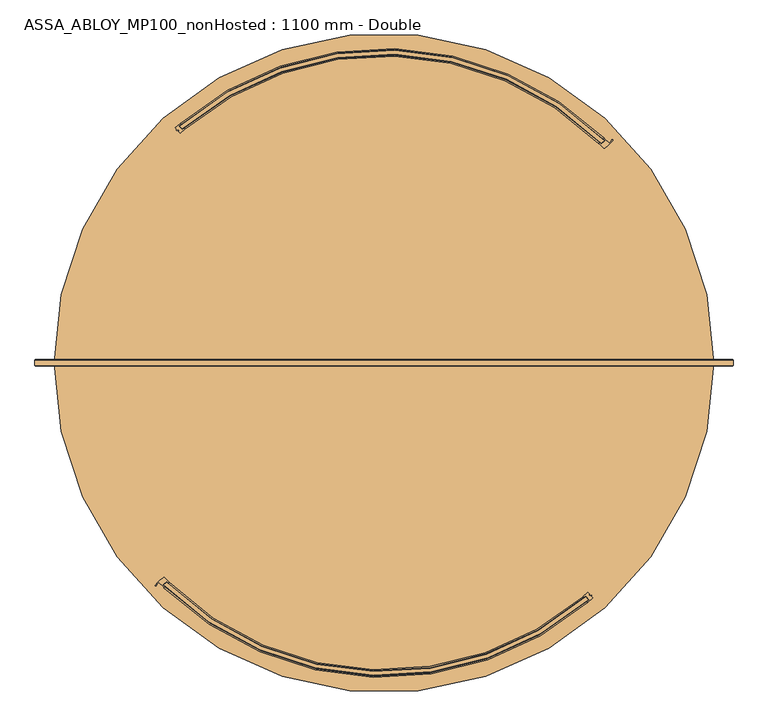
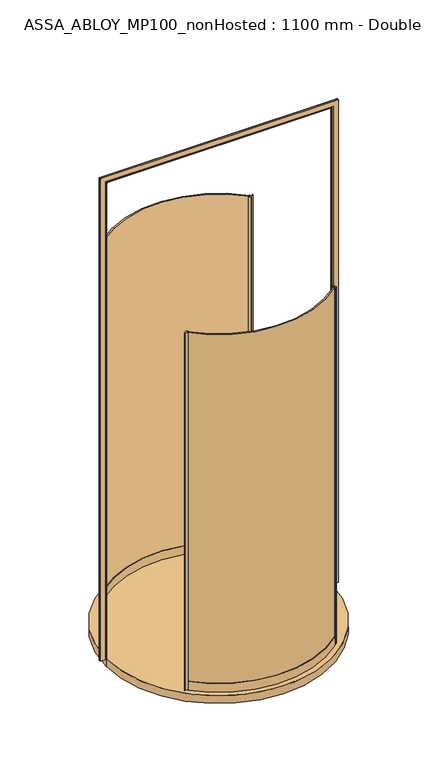
"""IFC4 building model written with IfcOpenShell, lengths in millimetres: door geometry, ASSA_ABLOY_MP100_nonHosted : 1100 mm - Double."""

from ifc_helpers import new_model, si_unit, point, frame, origin, origin_with_axes, origin_2d, place, context, project, spatial, polyline, circle_curve, ellipse_curve, trimmed, segment, composite_curve, outline, extrude, source, transform, mapped, element, save
from ifc_brep_helpers import plane_surface, cylinder_surface, revolved_surface, advanced_brep


def assa_abloy_mp100_nonhosted_1100_mm_double_c4c6f7eb(model_context):
    return source(origin(), model_context, "Body", "SolidModel", [
        extrude(outline(composite_curve([segment(trimmed(circle_curve(origin_2d(), 838.5), [point((-589.9937964, -595.8100119))], [point((547.3022385, -635.2499585))], True, "CARTESIAN"), True, "CONTINUOUS"), segment(polyline([(547.3022385, -635.2499585), (553.7856646, -642.8636619)]), True, "CONTINUOUS"), segment(trimmed(circle_curve(origin_2d(), 848.5), [point((553.7856646, -642.8636619))], [point((-596.9877233, -602.9576338))], False, "CARTESIAN"), True, "CONTINUOUS"), segment(polyline([(-596.9877233, -602.9576338), (-589.9937964, -595.8100119)]), True, "CONTINUOUS")], self_intersect=False)), origin_with_axes(), (0.0, 0.0, 1.0), 3000.0),
        extrude(outline(composite_curve([segment(polyline([(553.2153363, -623.4380817), (557.6356913, -628.629052), (555.7322968, -630.2498818), (558.0014585, -632.9146341), (562.4711305, -630.7907524), (563.189663, -631.6345491), (561.8437866, -633.5707587), (566.1846095, -638.6683317)]), True, "CONTINUOUS"), segment(trimmed(circle_curve(origin_2d(), 853.5), [point((566.1846095, -638.6683317))], [point((553.3513022, -649.8188874))], False, "CARTESIAN"), True, "CONTINUOUS"), segment(polyline([(553.3513022, -649.8188874), (551.4063064, -647.534814)]), True, "CONTINUOUS"), segment(trimmed(circle_curve(origin_2d(), 850.5), [point((551.4063064, -647.534814))], [point((556.7171345, -642.974558))], True, "CARTESIAN"), True, "CONTINUOUS"), segment(polyline([(556.7171345, -642.974558), (547.6401749, -632.3151816)]), True, "CONTINUOUS"), segment(trimmed(circle_curve(origin_2d(), 836.5), [point((547.6401749, -632.3151816))], [point((542.1769315, -637.005828))], False, "CARTESIAN"), True, "CONTINUOUS"), segment(polyline([(542.1769315, -637.005828), (540.3846636, -634.5917313)]), True, "CONTINUOUS"), segment(trimmed(circle_curve(origin_2d(), 833.5), [point((540.3846636, -634.5917313))], [point((553.2153363, -623.4380817))], True, "CARTESIAN"), True, "CONTINUOUS")], self_intersect=False)), origin_with_axes(), (0.0, 0.0, 1.0), 3000.0),
        advanced_brep(
        [(-589.9934713, -592.989238, 0.0), (-599.6948043, -603.085211, 0.0), (-594.6833962, -607.9727962, 0.0), (-596.7620171, -610.1359732, 0.0), (-610.6082601, -596.2698104, 0.0), (-617.7731984, -604.9617583, 0.0), (-620.3447483, -603.6458006, 0.0), (-598.4776156, -583.3597044, 0.0), (-594.7956112, -583.8583313, 0.0), (-582.9045441, -595.7147929, 0.0), (-584.9831651, -597.8779699, 0.0), (-589.9934713, -592.989238, 3000.0), (-584.9831651, -597.8779699, 3000.0), (-582.9045441, -595.7147929, 3000.0), (-594.7956112, -583.8583313, 3000.0), (-598.4776156, -583.3597044, 3000.0), (-620.3447483, -603.6458006, 3000.0), (-617.7870043, -604.9545448, 3000.0), (-610.6082601, -596.2698104, 3000.0), (-596.7620171, -610.1359732, 3000.0), (-594.6833962, -607.9727962, 3000.0), (-599.6948043, -603.085211, 3000.0)],
        [
            (0, 1),
            (1, 2, circle_curve(frame((-267.9934701, -267.9934701, 0.0), z_axis=(0.0, 0.0, 1.0), x_axis=(-0.7071067811865529, 0.707106781186542, 0.0)), 471.5)),
            (2, 3),
            (3, 4, circle_curve(frame((-267.9934701, -267.9934701, 0.0), z_axis=(0.0, 0.0, -1.0), x_axis=(-0.7071067811865529, 0.707106781186542, 0.0)), 474.5)),
            (4, 5, circle_curve(frame((-593.5900425, -617.597323, 0.0), z_axis=(0.0, 0.0, 1.0), x_axis=(-0.7071067811865529, 0.707106781186542, 0.0)), 27.285207)),
            (5, 6, circle_curve(frame((-619.060292, -604.289259, 0.0), z_axis=(0.0, 0.0, -1.0), x_axis=(-0.7071067811865529, 0.707106781186542, 0.0)), 1.4366164)),
            (6, 7, circle_curve(frame((-562.8967434, -643.6423847, 0.0), z_axis=(0.0, 0.0, -1.0), x_axis=(-0.7071067811865529, 0.707106781186542, 0.0)), 70.0)),
            (7, 8, circle_curve(frame((-596.9527211, -585.9432478, 0.0), z_axis=(0.0, 0.0, -1.0), x_axis=(-0.7071067811865529, 0.707106781186542, 0.0)), 3.0)),
            (8, 9, circle_curve(frame((-267.9934701, -267.9934701, 0.0), z_axis=(0.0, 0.0, 1.0), x_axis=(-0.7071067811865529, 0.707106781186542, 0.0)), 454.5)),
            (9, 10),
            (10, 0, circle_curve(frame((-267.9934701, -267.9934701, 0.0), z_axis=(0.0, 0.0, -1.0), x_axis=(-0.7071067811865529, 0.707106781186542, 0.0)), 457.5)),
            (11, 12, circle_curve(frame((-267.9934701, -267.9934701, 3000.0), z_axis=(0.0, 0.0, 1.0), x_axis=(-0.7071067811865529, 0.707106781186542, 0.0)), 457.5)),
            (12, 13),
            (13, 14, circle_curve(frame((-267.9934701, -267.9934701, 3000.0), z_axis=(0.0, 0.0, -1.0), x_axis=(-0.7071067811865529, 0.707106781186542, 0.0)), 454.5)),
            (14, 15, circle_curve(frame((-596.9527211, -585.9432478, 3000.0), z_axis=(0.0, 0.0, 1.0), x_axis=(-0.7071067811865529, 0.707106781186542, 0.0)), 3.0)),
            (15, 16, circle_curve(frame((-562.8967434, -643.6423847, 3000.0), z_axis=(0.0, 0.0, 1.0), x_axis=(-0.7071067811865529, 0.707106781186542, 0.0)), 70.0)),
            (16, 17, circle_curve(frame((-619.060292, -604.289259, 3000.0), z_axis=(0.0, 0.0, 1.0), x_axis=(-0.7071067811865529, 0.707106781186542, 0.0)), 1.4366164)),
            (17, 18, circle_curve(frame((-593.5900425, -617.597323, 3000.0), z_axis=(0.0, 0.0, -1.0), x_axis=(-0.7071067811865529, 0.707106781186542, 0.0)), 27.285207)),
            (18, 19, circle_curve(frame((-267.9934701, -267.9934701, 3000.0), z_axis=(0.0, 0.0, 1.0), x_axis=(-0.7071067811865529, 0.707106781186542, 0.0)), 474.5)),
            (19, 20),
            (20, 21, circle_curve(frame((-267.9934701, -267.9934701, 3000.0), z_axis=(0.0, 0.0, -1.0), x_axis=(-0.7071067811865529, 0.707106781186542, 0.0)), 471.5)),
            (21, 11),
            (0, 11),
            (21, 1),
            (20, 2),
            (19, 3),
            (18, 4),
            (8, 14),
            (13, 9),
            (12, 10),
            (17, 5),
            (16, 6),
            (15, 7),
        ],
        [
            plane_surface(frame((-589.3735021, -589.3735021, 0.0), z_axis=(0.0, 0.0, -1.0000000000000002), x_axis=(-0.7071067811865421, -0.707106781186553, 0.0))),
            plane_surface(frame((-589.3735021, -589.3735021, 3000.0), z_axis=(0.0, 0.0, 1.0000000000000002), x_axis=(-0.7071067811865421, -0.707106781186553, 0.0))),
            plane_surface(frame((-589.9934713, -592.989238, 0.0), z_axis=(0.7210590160944298, -0.6928736503208452, 0.0), x_axis=(0.0, 0.0, 1.0))),
            revolved_surface(polyline([(-601.3943174294598, 65.40737722945454, 3000.0), (-601.3943174294598, 65.40737722945454, 0.0)]), (-267.9934701, -267.9934701, 0.0), (0.0, 0.0, 1.0)),
            plane_surface(frame((-594.6833962, -607.9727962, 0.0), z_axis=(0.7210590160945622, -0.6928736503207074, 0.0), x_axis=(0.0, 0.0, 1.0))),
            cylinder_surface(frame((-267.9934701, -267.9934701, 0.0), z_axis=(0.0, 0.0, -1.0), x_axis=(-0.7071067811865529, 0.707106781186542, 0.0)), 474.5),
            revolved_surface(polyline([(-589.3735021492882, 53.386561949283305, 3000.0), (-589.3735021492882, 53.386561949283305, 0.0)]), (-267.9934701, -267.9934701, 0.0), (0.0, 0.0, 1.0)),
            plane_surface(frame((-582.9045441, -595.7147929, 0.0), z_axis=(0.721059016094641, -0.6928736503206255, 0.0), x_axis=(0.0, 0.0, 1.0))),
            cylinder_surface(frame((-267.9934701, -267.9934701, 0.0), z_axis=(0.0, 0.0, -1.0), x_axis=(-0.7071067811865529, 0.707106781186542, 0.0)), 457.5),
            revolved_surface(polyline([(-612.8835973957788, -598.3037681042215, 3000.0), (-612.8835973957788, -598.3037681042215, 0.0)]), (-593.5900425, -617.597323, 0.0), (0.0, 0.0, 1.0)),
            cylinder_surface(frame((-619.060292, -604.289259, 0.0), z_axis=(0.0, 0.0, -1.0), x_axis=(-0.7071067811865529, 0.707106781186542, 0.0)), 1.4366164),
            cylinder_surface(frame((-562.8967434, -643.6423847, 0.0), z_axis=(0.0, 0.0, -1.0), x_axis=(-0.7071067811865529, 0.707106781186542, 0.0)), 70.0),
            cylinder_surface(frame((-596.9527211, -585.9432478, 0.0), z_axis=(0.0, 0.0, -1.0), x_axis=(-0.7071067811865529, 0.707106781186542, 0.0)), 3.0),
        ],
        [
            (0, [[1, 2, 3, 4, 5, 6, 7, 8, 9, 10, 11]]),
            (1, [[12, 13, 14, 15, 16, 17, 18, 19, 20, 21, 22]]),
            (2, [[-1, 23, -22, 24]]),
            (3, [[-2, -24, -21, 25]]),
            (4, [[-3, -25, -20, 26]]),
            (5, [[-4, -26, -19, 27]]),
            (6, [[-9, 28, -14, 29]]),
            (7, [[-10, -29, -13, 30]]),
            (8, [[-11, -30, -12, -23]]),
            (9, [[-5, -27, -18, 31]]),
            (10, [[-6, -31, -17, 32]]),
            (11, [[-7, -32, -16, 33]]),
            (12, [[-8, -33, -15, -28]]),
        ],
    ),
        advanced_brep(
        [(-582.9335723, -595.743821, 73.0), (-582.9335723, -595.743821, 0.0), (-585.0317135, -597.8880699, 0.0), (-585.0317135, -597.8880699, 24.0), (-594.8230393, -607.8945648, 24.0), (-594.8230393, -607.8945648, 0.0), (-596.9211805, -610.0388137, 0.0), (-596.9211805, -610.0388137, 73.0), (-594.8230393, -607.8945648, 73.0), (-594.8230393, -607.8945648, 39.0), (-585.0317135, -597.8880699, 39.0), (-585.0317135, -597.8880699, 73.0), (540.3846636, -634.5917313, 73.0), (542.3296593, -636.8758047, 73.0), (542.3296593, -636.8758047, 39.0), (551.4063064, -647.534814, 39.0), (551.4063064, -647.534814, 73.0), (553.3513022, -649.8188874, 73.0), (553.3513022, -649.8188874, 0.0), (551.4063064, -647.534814, 0.0), (551.4063064, -647.534814, 24.0), (542.3296593, -636.8758047, 24.0), (542.3296593, -636.8758047, 0.0), (540.3846636, -634.5917313, 0.0)],
        [
            (0, 1),
            (1, 2),
            (2, 3),
            (3, 4),
            (4, 5),
            (5, 6),
            (6, 7),
            (7, 8),
            (8, 9),
            (9, 10),
            (10, 11),
            (11, 0),
            (12, 13),
            (13, 14),
            (14, 15),
            (15, 16),
            (16, 17),
            (17, 18),
            (18, 19),
            (19, 20),
            (20, 21),
            (21, 22),
            (22, 23),
            (23, 12),
            (23, 1, circle_curve(frame((0.0, 0.0, 0.0), z_axis=(0.0, 0.0, -1.0), x_axis=(-0.6993804106642413, -0.7147496353123362, 0.0)), 833.5)),
            (0, 12, circle_curve(frame((0.0, 0.0, 73.0), z_axis=(0.0, 0.0, 1.0), x_axis=(-0.6993804106642413, -0.7147496353123362, 0.0)), 833.5)),
            (22, 2, circle_curve(frame((0.0, 0.0, 0.0), z_axis=(0.0, 0.0, -1.0), x_axis=(-0.6993804106642413, -0.7147496353123362, 0.0)), 836.5)),
            (21, 3, circle_curve(frame((0.0, 0.0, 24.0), z_axis=(0.0, 0.0, -1.0), x_axis=(-0.6993804106642413, -0.7147496353123362, 0.0)), 836.5)),
            (20, 4, circle_curve(frame((0.0, 0.0, 24.0), z_axis=(0.0, 0.0, -1.0), x_axis=(-0.6993804106642413, -0.7147496353123362, 0.0)), 850.5)),
            (19, 5, circle_curve(frame((0.0, 0.0, 0.0), z_axis=(0.0, 0.0, -1.0), x_axis=(-0.6993804106642413, -0.7147496353123362, 0.0)), 850.5)),
            (18, 6, circle_curve(frame((0.0, 0.0, 0.0), z_axis=(0.0, 0.0, -1.0), x_axis=(-0.6993804106642413, -0.7147496353123362, 0.0)), 853.5)),
            (17, 7, circle_curve(frame((0.0, 0.0, 73.0), z_axis=(0.0, 0.0, -1.0), x_axis=(-0.6993804106642413, -0.7147496353123362, 0.0)), 853.5)),
            (16, 8, circle_curve(frame((0.0, 0.0, 73.0), z_axis=(0.0, 0.0, -1.0), x_axis=(-0.6993804106642413, -0.7147496353123362, 0.0)), 850.5)),
            (15, 9, circle_curve(frame((0.0, 0.0, 39.0), z_axis=(0.0, 0.0, -1.0), x_axis=(-0.6993804106642413, -0.7147496353123362, 0.0)), 850.5)),
            (14, 10, circle_curve(frame((0.0, 0.0, 39.0), z_axis=(0.0, 0.0, -1.0), x_axis=(-0.6993804106642413, -0.7147496353123362, 0.0)), 836.5)),
            (13, 11, circle_curve(frame((0.0, 0.0, 73.0), z_axis=(0.0, 0.0, -1.0), x_axis=(-0.6993804106642413, -0.7147496353123362, 0.0)), 836.5)),
        ],
        [
            plane_surface(frame((-582.9335723, -595.743821, 0.0), z_axis=(-0.714749635312336, 0.6993804106642412, 0.0), x_axis=(0.0, 0.0, 1.0))),
            plane_surface(frame((540.3846636, -634.5917313, 0.0), z_axis=(0.7613578059617316, 0.6483319298793931, 0.0), x_axis=(0.0, 0.0, 1.0))),
            revolved_surface(polyline([(-582.9335722886451, -595.7438210328322, 73.00000000000003), (-582.9335722886451, -595.7438210328322, 0.0)]), (0.0, 0.0, 0.0), (0.0, 0.0, 1.0000000000000002)),
            plane_surface(frame((0.0, 0.0, 0.0), z_axis=(0.0, 0.0, -1.0), x_axis=(-0.6993804106642412, -0.714749635312336, 0.0))),
            cylinder_surface(frame((0.0, 0.0, 0.0), z_axis=(0.0, 0.0, 1.0000000000000002), x_axis=(-0.6993804106642413, -0.7147496353123362, 0.0)), 836.5),
            plane_surface(frame((0.0, 0.0, 24.0), z_axis=(0.0, 0.0, -1.0), x_axis=(-0.6993804106642412, -0.714749635312336, 0.0))),
            revolved_surface(polyline([(-594.8230392699372, -607.8945648331419, 24.000000000000014), (-594.8230392699372, -607.8945648331419, 0.0)]), (0.0, 0.0, 0.0), (0.0, 0.0, 1.0000000000000002)),
            cylinder_surface(frame((0.0, 0.0, 0.0), z_axis=(0.0, 0.0, 1.0000000000000002), x_axis=(-0.6993804106642413, -0.7147496353123362, 0.0)), 853.5),
            plane_surface(frame((0.0, 0.0, 73.0), z_axis=(0.0, 0.0, 1.0), x_axis=(-0.6993804106642412, -0.714749635312336, 0.0))),
            revolved_surface(polyline([(-594.8230392699372, -607.8945648331419, 73.00000000000003), (-594.8230392699372, -607.8945648331419, 39.000000000000014)]), (0.0, 0.0, 0.0), (0.0, 0.0, 1.0000000000000002)),
            plane_surface(frame((0.0, 0.0, 39.0), z_axis=(0.0, 0.0, 1.0), x_axis=(-0.6993804106642412, -0.714749635312336, 0.0))),
        ],
        [
            (0, [[1, 2, 3, 4, 5, 6, 7, 8, 9, 10, 11, 12]]),
            (1, [[13, 14, 15, 16, 17, 18, 19, 20, 21, 22, 23, 24]]),
            (2, [[25, -1, 26, -24]]),
            (3, [[27, -2, -25, -23]]),
            (4, [[28, -3, -27, -22]]),
            (5, [[29, -4, -28, -21]]),
            (6, [[30, -5, -29, -20]]),
            (3, [[31, -6, -30, -19]]),
            (7, [[32, -7, -31, -18]]),
            (8, [[33, -8, -32, -17]]),
            (9, [[34, -9, -33, -16]]),
            (10, [[35, -10, -34, -15]]),
            (4, [[36, -11, -35, -14]]),
            (8, [[-26, -12, -36, -13]]),
        ],
    ),
        extrude(outline(composite_curve([segment(trimmed(circle_curve(origin_2d(), 838.5), [point((589.9937964, 595.8100119))], [point((-547.3022385, 635.2499584))], True, "CARTESIAN"), True, "CONTINUOUS"), segment(polyline([(-547.3022385, 635.2499584), (-553.7856646, 642.8636619)]), True, "CONTINUOUS"), segment(trimmed(circle_curve(origin_2d(), 848.5), [point((-553.7856646, 642.8636619))], [point((596.9877233, 602.9576338))], False, "CARTESIAN"), True, "CONTINUOUS"), segment(polyline([(596.9877233, 602.9576338), (589.9937964, 595.8100119)]), True, "CONTINUOUS")], self_intersect=False)), origin_with_axes(), (0.0, 0.0, 1.0), 3000.0),
        extrude(outline(composite_curve([segment(polyline([(-553.2153363, 623.4380817), (-557.6356913, 628.629052), (-555.7322968, 630.2498818), (-558.0014585, 632.9146341), (-562.4711305, 630.7907524), (-563.189663, 631.6345491), (-561.8437866, 633.5707587), (-566.1846095, 638.6683317)]), True, "CONTINUOUS"), segment(trimmed(circle_curve(origin_2d(), 853.5), [point((-566.1846095, 638.6683317))], [point((-553.3513022, 649.8188874))], False, "CARTESIAN"), True, "CONTINUOUS"), segment(polyline([(-553.3513022, 649.8188874), (-551.4063064, 647.534814)]), True, "CONTINUOUS"), segment(trimmed(circle_curve(origin_2d(), 850.5), [point((-551.4063064, 647.534814))], [point((-556.7171345, 642.974558))], True, "CARTESIAN"), True, "CONTINUOUS"), segment(polyline([(-556.7171345, 642.974558), (-547.6401749, 632.3151816)]), True, "CONTINUOUS"), segment(trimmed(circle_curve(origin_2d(), 836.5), [point((-547.6401749, 632.3151816))], [point((-542.1769315, 637.005828))], False, "CARTESIAN"), True, "CONTINUOUS"), segment(polyline([(-542.1769315, 637.005828), (-540.3846636, 634.5917313)]), True, "CONTINUOUS"), segment(trimmed(circle_curve(origin_2d(), 833.5), [point((-540.3846636, 634.5917313))], [point((-553.2153363, 623.4380817))], True, "CARTESIAN"), True, "CONTINUOUS")], self_intersect=False)), origin_with_axes(), (0.0, 0.0, 1.0), 3000.0),
        advanced_brep(
        [(589.9934713, 592.989238, 0.0), (599.6948043, 603.085211, 0.0), (594.6833962, 607.9727962, 0.0), (596.7620171, 610.1359732, 0.0), (610.6082601, 596.2698104, 0.0), (617.7731984, 604.9617583, 0.0), (620.3447483, 603.6458006, 0.0), (598.4776156, 583.3597044, 0.0), (594.7956112, 583.8583313, 0.0), (582.9045441, 595.7147929, 0.0), (584.9831651, 597.8779699, 0.0), (589.9934713, 592.989238, 3000.0), (584.9831651, 597.8779699, 3000.0), (582.9045441, 595.7147929, 3000.0), (594.7956112, 583.8583313, 3000.0), (598.4776156, 583.3597044, 3000.0), (620.3447483, 603.6458006, 3000.0), (617.7870043, 604.9545448, 3000.0), (610.6082601, 596.2698104, 3000.0), (596.7620171, 610.1359732, 3000.0), (594.6833962, 607.9727962, 3000.0), (599.6948043, 603.085211, 3000.0)],
        [
            (0, 1),
            (1, 2, circle_curve(frame((267.9934701, 267.9934701, 0.0), z_axis=(0.0, 0.0, 1.0), x_axis=(0.7071067811865528, -0.7071067811865412, 0.0)), 471.5)),
            (2, 3),
            (3, 4, circle_curve(frame((267.9934701, 267.9934701, 0.0), z_axis=(0.0, 0.0, -1.0), x_axis=(0.7071067811865528, -0.7071067811865412, 0.0)), 474.5)),
            (4, 5, circle_curve(frame((593.5900425, 617.597323, 0.0), z_axis=(0.0, 0.0, 1.0), x_axis=(0.7071067811865528, -0.7071067811865412, 0.0)), 27.285207)),
            (5, 6, circle_curve(frame((619.060292, 604.289259, 0.0), z_axis=(0.0, 0.0, -1.0), x_axis=(0.7071067811865528, -0.7071067811865412, 0.0)), 1.4366164)),
            (6, 7, circle_curve(frame((562.8967434, 643.6423847, 0.0), z_axis=(0.0, 0.0, -1.0), x_axis=(0.7071067811865528, -0.7071067811865412, 0.0)), 70.0)),
            (7, 8, circle_curve(frame((596.9527211, 585.9432478, 0.0), z_axis=(0.0, 0.0, -1.0), x_axis=(0.7071067811865528, -0.7071067811865412, 0.0)), 3.0)),
            (8, 9, circle_curve(frame((267.9934701, 267.9934701, 0.0), z_axis=(0.0, 0.0, 1.0), x_axis=(0.7071067811865528, -0.7071067811865412, 0.0)), 454.5)),
            (9, 10),
            (10, 0, circle_curve(frame((267.9934701, 267.9934701, 0.0), z_axis=(0.0, 0.0, -1.0), x_axis=(0.7071067811865528, -0.7071067811865412, 0.0)), 457.5)),
            (11, 12, circle_curve(frame((267.9934701, 267.9934701, 3000.0), z_axis=(0.0, 0.0, 1.0), x_axis=(0.7071067811865528, -0.7071067811865412, 0.0)), 457.5)),
            (12, 13),
            (13, 14, circle_curve(frame((267.9934701, 267.9934701, 3000.0), z_axis=(0.0, 0.0, -1.0), x_axis=(0.7071067811865528, -0.7071067811865412, 0.0)), 454.5)),
            (14, 15, circle_curve(frame((596.9527211, 585.9432478, 3000.0), z_axis=(0.0, 0.0, 1.0), x_axis=(0.7071067811865528, -0.7071067811865412, 0.0)), 3.0)),
            (15, 16, circle_curve(frame((562.8967434, 643.6423847, 3000.0), z_axis=(0.0, 0.0, 1.0), x_axis=(0.7071067811865528, -0.7071067811865412, 0.0)), 70.0)),
            (16, 17, circle_curve(frame((619.060292, 604.289259, 3000.0), z_axis=(0.0, 0.0, 1.0), x_axis=(0.7071067811865528, -0.7071067811865412, 0.0)), 1.4366164)),
            (17, 18, circle_curve(frame((593.5900425, 617.597323, 3000.0), z_axis=(0.0, 0.0, -1.0), x_axis=(0.7071067811865528, -0.7071067811865412, 0.0)), 27.285207)),
            (18, 19, circle_curve(frame((267.9934701, 267.9934701, 3000.0), z_axis=(0.0, 0.0, 1.0), x_axis=(0.7071067811865528, -0.7071067811865412, 0.0)), 474.5)),
            (19, 20),
            (20, 21, circle_curve(frame((267.9934701, 267.9934701, 3000.0), z_axis=(0.0, 0.0, -1.0), x_axis=(0.7071067811865528, -0.7071067811865412, 0.0)), 471.5)),
            (21, 11),
            (0, 11),
            (21, 1),
            (20, 2),
            (19, 3),
            (18, 4),
            (8, 14),
            (13, 9),
            (12, 10),
            (17, 5),
            (16, 6),
            (15, 7),
        ],
        [
            plane_surface(frame((589.3735021, 589.3735021, 0.0), z_axis=(0.0, 0.0, -1.0), x_axis=(0.7071067811865418, 0.7071067811865533, 0.0))),
            plane_surface(frame((589.3735021, 589.3735021, 3000.0), z_axis=(0.0, 0.0, 1.0), x_axis=(0.7071067811865418, 0.7071067811865533, 0.0))),
            plane_surface(frame((589.9934713, 592.989238, 0.0), z_axis=(-0.7210590160944301, 0.6928736503208448, 0.0), x_axis=(0.0, 0.0, 1.0))),
            revolved_surface(polyline([(601.3943174294596, -65.4073772294542, 3000.0), (601.3943174294596, -65.4073772294542, 0.0)]), (267.9934701, 267.9934701, 0.0), (0.0, 0.0, 1.0)),
            plane_surface(frame((594.6833962, 607.9727962, 0.0), z_axis=(-0.7210590160945626, 0.692873650320707, 0.0), x_axis=(0.0, 0.0, 1.0))),
            cylinder_surface(frame((267.9934701, 267.9934701, 0.0), z_axis=(0.0, 0.0, -1.0), x_axis=(0.7071067811865528, -0.7071067811865412, 0.0)), 474.5),
            revolved_surface(polyline([(589.3735021492882, -53.386561949282964, 3000.0), (589.3735021492882, -53.386561949282964, 0.0)]), (267.9934701, 267.9934701, 0.0), (0.0, 0.0, 1.0)),
            plane_surface(frame((582.9045441, 595.7147929, 0.0), z_axis=(-0.7210590160946412, 0.6928736503206251, 0.0), x_axis=(0.0, 0.0, 1.0))),
            cylinder_surface(frame((267.9934701, 267.9934701, 0.0), z_axis=(0.0, 0.0, -1.0), x_axis=(0.7071067811865528, -0.7071067811865412, 0.0)), 457.5),
            revolved_surface(polyline([(612.8835973957788, 598.3037681042215, 3000.0), (612.8835973957788, 598.3037681042215, 0.0)]), (593.5900425, 617.597323, 0.0), (0.0, 0.0, 1.0)),
            cylinder_surface(frame((619.060292, 604.289259, 0.0), z_axis=(0.0, 0.0, -1.0), x_axis=(0.7071067811865528, -0.7071067811865412, 0.0)), 1.4366164),
            cylinder_surface(frame((562.8967434, 643.6423847, 0.0), z_axis=(0.0, 0.0, -1.0), x_axis=(0.7071067811865528, -0.7071067811865412, 0.0)), 70.0),
            cylinder_surface(frame((596.9527211, 585.9432478, 0.0), z_axis=(0.0, 0.0, -1.0), x_axis=(0.7071067811865528, -0.7071067811865412, 0.0)), 3.0),
        ],
        [
            (0, [[1, 2, 3, 4, 5, 6, 7, 8, 9, 10, 11]]),
            (1, [[12, 13, 14, 15, 16, 17, 18, 19, 20, 21, 22]]),
            (2, [[-1, 23, -22, 24]]),
            (3, [[-2, -24, -21, 25]]),
            (4, [[-3, -25, -20, 26]]),
            (5, [[-4, -26, -19, 27]]),
            (6, [[-9, 28, -14, 29]]),
            (7, [[-10, -29, -13, 30]]),
            (8, [[-11, -30, -12, -23]]),
            (9, [[-5, -27, -18, 31]]),
            (10, [[-6, -31, -17, 32]]),
            (11, [[-7, -32, -16, 33]]),
            (12, [[-8, -33, -15, -28]]),
        ],
    ),
        advanced_brep(
        [(582.9335723, 595.743821, 73.0), (582.9335723, 595.743821, 0.0), (585.0317135, 597.8880699, 0.0), (585.0317135, 597.8880699, 24.0), (594.8230393, 607.8945648, 24.0), (594.8230393, 607.8945648, 0.0), (596.9211805, 610.0388137, 0.0), (596.9211805, 610.0388137, 73.0), (594.8230393, 607.8945648, 73.0), (594.8230393, 607.8945648, 39.0), (585.0317135, 597.8880699, 39.0), (585.0317135, 597.8880699, 73.0), (-540.3846636, 634.5917313, 73.0), (-542.3296593, 636.8758047, 73.0), (-542.3296593, 636.8758047, 39.0), (-551.4063064, 647.534814, 39.0), (-551.4063064, 647.534814, 73.0), (-553.3513022, 649.8188874, 73.0), (-553.3513022, 649.8188874, 0.0), (-551.4063064, 647.534814, 0.0), (-551.4063064, 647.534814, 24.0), (-542.3296593, 636.8758047, 24.0), (-542.3296593, 636.8758047, 0.0), (-540.3846636, 634.5917313, 0.0)],
        [
            (0, 1),
            (1, 2),
            (2, 3),
            (3, 4),
            (4, 5),
            (5, 6),
            (6, 7),
            (7, 8),
            (8, 9),
            (9, 10),
            (10, 11),
            (11, 0),
            (12, 13),
            (13, 14),
            (14, 15),
            (15, 16),
            (16, 17),
            (17, 18),
            (18, 19),
            (19, 20),
            (20, 21),
            (21, 22),
            (22, 23),
            (23, 12),
            (23, 1, circle_curve(frame((0.0, 0.0, 0.0), z_axis=(0.0, 0.0, -1.0), x_axis=(0.6993804106642405, 0.714749635312336, 0.0)), 833.5)),
            (0, 12, circle_curve(frame((0.0, 0.0, 73.0), z_axis=(0.0, 0.0, 1.0), x_axis=(0.6993804106642405, 0.714749635312336, 0.0)), 833.5)),
            (22, 2, circle_curve(frame((0.0, 0.0, 0.0), z_axis=(0.0, 0.0, -1.0), x_axis=(0.6993804106642405, 0.714749635312336, 0.0)), 836.5)),
            (21, 3, circle_curve(frame((0.0, 0.0, 24.0), z_axis=(0.0, 0.0, -1.0), x_axis=(0.6993804106642405, 0.714749635312336, 0.0)), 836.5)),
            (20, 4, circle_curve(frame((0.0, 0.0, 24.0), z_axis=(0.0, 0.0, -1.0), x_axis=(0.6993804106642405, 0.714749635312336, 0.0)), 850.5)),
            (19, 5, circle_curve(frame((0.0, 0.0, 0.0), z_axis=(0.0, 0.0, -1.0), x_axis=(0.6993804106642405, 0.714749635312336, 0.0)), 850.5)),
            (18, 6, circle_curve(frame((0.0, 0.0, 0.0), z_axis=(0.0, 0.0, -1.0), x_axis=(0.6993804106642405, 0.714749635312336, 0.0)), 853.5)),
            (17, 7, circle_curve(frame((0.0, 0.0, 73.0), z_axis=(0.0, 0.0, -1.0), x_axis=(0.6993804106642405, 0.714749635312336, 0.0)), 853.5)),
            (16, 8, circle_curve(frame((0.0, 0.0, 73.0), z_axis=(0.0, 0.0, -1.0), x_axis=(0.6993804106642405, 0.714749635312336, 0.0)), 850.5)),
            (15, 9, circle_curve(frame((0.0, 0.0, 39.0), z_axis=(0.0, 0.0, -1.0), x_axis=(0.6993804106642405, 0.714749635312336, 0.0)), 850.5)),
            (14, 10, circle_curve(frame((0.0, 0.0, 39.0), z_axis=(0.0, 0.0, -1.0), x_axis=(0.6993804106642405, 0.714749635312336, 0.0)), 836.5)),
            (13, 11, circle_curve(frame((0.0, 0.0, 73.0), z_axis=(0.0, 0.0, -1.0), x_axis=(0.6993804106642405, 0.714749635312336, 0.0)), 836.5)),
        ],
        [
            plane_surface(frame((582.9335723, 595.743821, 0.0), z_axis=(0.7147496353123364, -0.6993804106642408, 0.0), x_axis=(0.0, 0.0, 1.0))),
            plane_surface(frame((-540.3846636, 634.5917313, 0.0), z_axis=(-0.7613578059617313, -0.6483319298793935, 0.0), x_axis=(0.0, 0.0, 1.0))),
            revolved_surface(polyline([(582.9335722886444, 595.7438210328321, 73.00000000000003), (582.9335722886444, 595.7438210328321, 0.0)]), (0.0, 0.0, 0.0), (0.0, 0.0, 1.0000000000000002)),
            plane_surface(frame((0.0, 0.0, 0.0), z_axis=(0.0, 0.0, -1.0), x_axis=(0.6993804106642408, 0.7147496353123364, 0.0))),
            cylinder_surface(frame((0.0, 0.0, 0.0), z_axis=(0.0, 0.0, 1.0000000000000002), x_axis=(0.6993804106642405, 0.714749635312336, 0.0)), 836.5),
            plane_surface(frame((0.0, 0.0, 24.0), z_axis=(0.0, 0.0, -1.0), x_axis=(0.6993804106642408, 0.7147496353123364, 0.0))),
            revolved_surface(polyline([(594.8230392699365, 607.8945648331418, 24.000000000000014), (594.8230392699365, 607.8945648331418, 0.0)]), (0.0, 0.0, 0.0), (0.0, 0.0, 1.0000000000000002)),
            cylinder_surface(frame((0.0, 0.0, 0.0), z_axis=(0.0, 0.0, 1.0000000000000002), x_axis=(0.6993804106642405, 0.714749635312336, 0.0)), 853.5),
            plane_surface(frame((0.0, 0.0, 73.0), z_axis=(0.0, 0.0, 1.0), x_axis=(0.6993804106642408, 0.7147496353123364, 0.0))),
            revolved_surface(polyline([(594.8230392699365, 607.8945648331418, 73.00000000000003), (594.8230392699365, 607.8945648331418, 39.000000000000014)]), (0.0, 0.0, 0.0), (0.0, 0.0, 1.0000000000000002)),
            plane_surface(frame((0.0, 0.0, 39.0), z_axis=(0.0, 0.0, 1.0), x_axis=(0.6993804106642408, 0.7147496353123364, 0.0))),
        ],
        [
            (0, [[1, 2, 3, 4, 5, 6, 7, 8, 9, 10, 11, 12]]),
            (1, [[13, 14, 15, 16, 17, 18, 19, 20, 21, 22, 23, 24]]),
            (2, [[25, -1, 26, -24]]),
            (3, [[27, -2, -25, -23]]),
            (4, [[28, -3, -27, -22]]),
            (5, [[29, -4, -28, -21]]),
            (6, [[30, -5, -29, -20]]),
            (3, [[31, -6, -30, -19]]),
            (7, [[32, -7, -31, -18]]),
            (8, [[33, -8, -32, -17]]),
            (9, [[34, -9, -33, -16]]),
            (10, [[35, -10, -34, -15]]),
            (4, [[36, -11, -35, -14]]),
            (8, [[-26, -12, -36, -13]]),
        ],
    ),
        extrude(outline(composite_curve([segment(trimmed(circle_curve(origin_2d(), 895.0), [point((-895.0, 0.0))], [point((895.0, 0.0))], False, "CARTESIAN"), True, "CONTINUOUS"), segment(trimmed(circle_curve(origin_2d(), 895.0), [point((895.0, 0.0))], [point((-895.0, 0.0))], False, "CARTESIAN"), True, "CONTINUOUS")], self_intersect=False)), frame((0.0, 0.0, -65.0), z_axis=(0.0, 0.0, 1.0), x_axis=(1.0, 0.0, 0.0)), (0.0, 0.0, 1.0), 65.0),
        advanced_brep(
        [(895.9, 6.0, 0.0), (898.1980762, 6.0, 0.0), (899.0980762, 5.1, 0.0), (899.0980762, -5.1, 0.0), (898.1980762, -6.0, 0.0), (895.9, -6.0, 0.0), (895.0, -5.1, 0.0), (895.0, 5.1, 0.0), (-895.9, 6.0, 0.0), (-895.0, 5.1, 0.0), (-895.0, -5.1, 0.0), (-895.9, -6.0, 0.0), (-898.1980762, -6.0, 0.0), (-899.0980762, -5.1, 0.0), (-899.0980762, 5.1, 0.0), (-898.1980762, 6.0, 0.0), (895.9, 6.0, 4001.8), (-895.9, 6.0, 4001.8), (-898.1980762, 6.0, 4004.0980762), (898.1980762, 6.0, 4004.0980762), (899.0980762, 5.1, 4004.9980762), (899.0980762, -5.1, 4004.9980762), (898.1980762, -6.0, 4004.0980762), (-898.1980762, -6.0, 4004.0980762), (-895.9, -6.0, 4001.8), (895.9, -6.0, 4001.8), (895.0, -5.1, 4000.9), (895.0, 5.1, 4000.9), (-899.0980762, 5.1, 4004.9980762), (-899.0980762, -5.1, 4004.9980762), (-895.0, -5.1, 4000.9), (-895.0, 5.1, 4000.9)],
        [
            (0, 1),
            (1, 2, circle_curve(frame((898.1980762, 5.1, 0.0), z_axis=(0.0, 0.0, -1.0), x_axis=(-1.0, 0.0, 0.0)), 0.9)),
            (2, 3),
            (3, 4, circle_curve(frame((898.1980762, -5.1, 0.0), z_axis=(0.0, 0.0, -1.0), x_axis=(-1.0, 0.0, 0.0)), 0.9)),
            (4, 5),
            (5, 6, circle_curve(frame((895.9, -5.1, 0.0), z_axis=(0.0, 0.0, -1.0), x_axis=(-1.0, 0.0, 0.0)), 0.9)),
            (6, 7),
            (7, 0, circle_curve(frame((895.9, 5.1, 0.0), z_axis=(0.0, 0.0, -1.0), x_axis=(-1.0, 0.0, 0.0)), 0.9)),
            (8, 9, circle_curve(frame((-895.9, 5.1, 0.0), z_axis=(0.0, 0.0, -1.0), x_axis=(1.0, 0.0, 0.0)), 0.9)),
            (9, 10),
            (10, 11, circle_curve(frame((-895.9, -5.1, 0.0), z_axis=(0.0, 0.0, -1.0), x_axis=(1.0, 0.0, 0.0)), 0.9)),
            (11, 12),
            (12, 13, circle_curve(frame((-898.1980762, -5.1, 0.0), z_axis=(0.0, 0.0, -1.0), x_axis=(1.0, 0.0, 0.0)), 0.9)),
            (13, 14),
            (14, 15, circle_curve(frame((-898.1980762, 5.1, 0.0), z_axis=(0.0, 0.0, -1.0), x_axis=(1.0, 0.0, 0.0)), 0.9)),
            (15, 8),
            (0, 16),
            (16, 17),
            (17, 8),
            (15, 18),
            (18, 19),
            (19, 1),
            (19, 20, ellipse_curve(frame((898.1980762, 5.1, 4004.0980762), z_axis=(0.7071067811865475, 0.0, -0.7071067811865475), x_axis=(-0.7071067811865474, 0.0, -0.7071067811865476)), 1.2727922, 0.9)),
            (20, 2),
            (20, 21),
            (21, 3),
            (21, 22, ellipse_curve(frame((898.1980762, -5.1, 4004.0980762), z_axis=(0.7071067811865475, 0.0, -0.7071067811865475), x_axis=(-0.7071067811865474, 0.0, -0.7071067811865476)), 1.2727922, 0.9)),
            (22, 4),
            (22, 23),
            (23, 12),
            (11, 24),
            (24, 25),
            (25, 5),
            (25, 26, ellipse_curve(frame((895.9, -5.1, 4001.8), z_axis=(0.7071067811865475, 0.0, -0.7071067811865475), x_axis=(-0.7071067811865474, 0.0, -0.7071067811865476)), 1.2727922, 0.9)),
            (26, 6),
            (26, 27),
            (27, 7),
            (27, 16, ellipse_curve(frame((895.9, 5.1, 4001.8), z_axis=(0.7071067811865475, 0.0, -0.7071067811865475), x_axis=(-0.7071067811865474, 0.0, -0.7071067811865476)), 1.2727922, 0.9)),
            (18, 28, ellipse_curve(frame((-898.1980762, 5.1, 4004.0980762), z_axis=(0.7071067811865475, 0.0, 0.7071067811865475), x_axis=(0.7071067811865476, 0.0, -0.7071067811865474)), 1.2727922, 0.9)),
            (28, 20),
            (28, 29),
            (29, 21),
            (29, 23, ellipse_curve(frame((-898.1980762, -5.1, 4004.0980762), z_axis=(0.7071067811865475, 0.0, 0.7071067811865475), x_axis=(0.7071067811865476, 0.0, -0.7071067811865474)), 1.2727922, 0.9)),
            (24, 30, ellipse_curve(frame((-895.9, -5.1, 4001.8), z_axis=(0.7071067811865475, 0.0, 0.7071067811865475), x_axis=(0.7071067811865476, 0.0, -0.7071067811865474)), 1.2727922, 0.9)),
            (30, 26),
            (30, 31),
            (31, 27),
            (31, 17, ellipse_curve(frame((-895.9, 5.1, 4001.8), z_axis=(0.7071067811865475, 0.0, 0.7071067811865475), x_axis=(0.7071067811865476, 0.0, -0.7071067811865474)), 1.2727922, 0.9)),
            (14, 28),
            (13, 29),
            (10, 30),
            (9, 31),
        ],
        [
            plane_surface(frame((899.1, 0.0, 0.0), z_axis=(0.0, 0.0, -1.0), x_axis=(0.0, -1.0, 0.0))),
            plane_surface(frame((-899.1, 0.0, 0.0), z_axis=(0.0, 0.0, -1.0), x_axis=(0.0, -1.0, 0.0))),
            plane_surface(frame((895.9, 6.0, 0.0), z_axis=(0.0, 1.0, 0.0), x_axis=(0.0, 0.0, 1.0))),
            cylinder_surface(frame((898.1980762, 5.1, 0.0), z_axis=(0.0, 0.0, -1.0), x_axis=(-1.0, 0.0, 0.0)), 0.9),
            plane_surface(frame((899.0980762, 5.1, 0.0), z_axis=(1.0, 0.0, 0.0), x_axis=(0.0, 0.0, 1.0))),
            cylinder_surface(frame((898.1980762, -5.1, 0.0), z_axis=(0.0, 0.0, -1.0), x_axis=(-1.0, 0.0, 0.0)), 0.9),
            plane_surface(frame((898.1980762, -6.0, 0.0), z_axis=(0.0, -1.0, 0.0), x_axis=(0.0, 0.0, 1.0))),
            cylinder_surface(frame((895.9, -5.1, 0.0), z_axis=(0.0, 0.0, -1.0), x_axis=(-1.0, 0.0, 0.0)), 0.9),
            plane_surface(frame((895.0, -5.1, 0.0), z_axis=(-1.0, 0.0, 0.0), x_axis=(0.0, 0.0, 1.0))),
            cylinder_surface(frame((895.9, 5.1, 0.0), z_axis=(0.0, 0.0, -1.0), x_axis=(-1.0, 0.0, 0.0)), 0.9),
            cylinder_surface(frame((899.1, 5.1, 4004.0980762), z_axis=(1.0, 0.0, 0.0), x_axis=(0.0, 0.0, -1.0)), 0.9),
            plane_surface(frame((899.0980762, 5.1, 4004.9980762), z_axis=(0.0, 0.0, 1.0), x_axis=(-1.0, 0.0, 0.0))),
            cylinder_surface(frame((899.1, -5.1, 4004.0980762), z_axis=(1.0, 0.0, 0.0), x_axis=(0.0, 0.0, -1.0)), 0.9),
            cylinder_surface(frame((899.1, -5.1, 4001.8), z_axis=(1.0, 0.0, 0.0), x_axis=(0.0, 0.0, -1.0)), 0.9),
            plane_surface(frame((895.0, -5.1, 4000.9), z_axis=(0.0, 0.0, -1.0), x_axis=(-1.0, 0.0, 0.0))),
            cylinder_surface(frame((899.1, 5.1, 4001.8), z_axis=(1.0, 0.0, 0.0), x_axis=(0.0, 0.0, -1.0)), 0.9),
            cylinder_surface(frame((-898.1980762, 5.1, 4005.0), z_axis=(0.0, 0.0, 1.0), x_axis=(1.0, 0.0, 0.0)), 0.9),
            plane_surface(frame((-899.0980762, 5.1, 4004.9980762), z_axis=(-1.0, 0.0, 0.0), x_axis=(0.0, 0.0, -1.0))),
            cylinder_surface(frame((-898.1980762, -5.1, 4005.0), z_axis=(0.0, 0.0, 1.0), x_axis=(1.0, 0.0, 0.0)), 0.9),
            cylinder_surface(frame((-895.9, -5.1, 4005.0), z_axis=(0.0, 0.0, 1.0), x_axis=(1.0, 0.0, 0.0)), 0.9),
            plane_surface(frame((-895.0, -5.1, 4000.9), z_axis=(1.0, 0.0, 0.0), x_axis=(0.0, 0.0, -1.0))),
            cylinder_surface(frame((-895.9, 5.1, 4005.0), z_axis=(0.0, 0.0, 1.0), x_axis=(1.0, 0.0, 0.0)), 0.9),
        ],
        [
            (0, [[1, 2, 3, 4, 5, 6, 7, 8]]),
            (1, [[9, 10, 11, 12, 13, 14, 15, 16]]),
            (2, [[-1, 17, 18, 19, -16, 20, 21, 22]]),
            (3, [[-2, -22, 23, 24]]),
            (4, [[-3, -24, 25, 26]]),
            (5, [[-4, -26, 27, 28]]),
            (6, [[-5, -28, 29, 30, -12, 31, 32, 33]]),
            (7, [[-6, -33, 34, 35]]),
            (8, [[-7, -35, 36, 37]]),
            (9, [[-8, -37, 38, -17]]),
            (10, [[-23, -21, 39, 40]]),
            (11, [[-25, -40, 41, 42]]),
            (12, [[-27, -42, 43, -29]]),
            (13, [[-34, -32, 44, 45]]),
            (14, [[-36, -45, 46, 47]]),
            (15, [[-38, -47, 48, -18]]),
            (16, [[-39, -20, -15, 49]]),
            (17, [[-41, -49, -14, 50]]),
            (18, [[-43, -50, -13, -30]]),
            (19, [[-44, -31, -11, 51]]),
            (20, [[-46, -51, -10, 52]]),
            (21, [[-48, -52, -9, -19]]),
        ],
    ),
        advanced_brep(
        [(946.4209519, 8.5, 0.0), (947.0980762, 7.0, 0.0), (947.0980762, -7.0, 0.0), (946.4209519, -8.5, 0.0), (907.0980762, -8.5, 0.0), (907.0980762, 8.5, 0.0), (-946.4209519, 8.5, 0.0), (-907.0980762, 8.5, 0.0), (-907.0980762, -8.5, 0.0), (-946.4209519, -8.5, 0.0), (-947.0980762, -7.0, 0.0), (-947.0980762, 7.0, 0.0), (946.4209519, 8.5, 4052.3209519), (947.0980762, 7.0, 4052.9980762), (947.0980762, -7.0, 4052.9980762), (946.4209519, -8.5, 4052.3209519), (-946.4209519, -8.5, 4052.3209519), (-907.0980762, -8.5, 4012.9980762), (907.0980762, -8.5, 4012.9980762), (907.0980762, 8.5, 4012.9980762), (-907.0980762, 8.5, 4012.9980762), (-946.4209519, 8.5, 4052.3209519), (-947.0980762, 7.0, 4052.9980762), (-947.0980762, -7.0, 4052.9980762)],
        [
            (0, 1, circle_curve(frame((945.0980762, 7.0, 0.0), z_axis=(0.0, 0.0, -1.0), x_axis=(-1.0, 0.0, 0.0)), 2.0)),
            (1, 2),
            (2, 3, circle_curve(frame((945.0980762, -7.0, 0.0), z_axis=(0.0, 0.0, -1.0), x_axis=(-1.0, 0.0, 0.0)), 2.0)),
            (3, 4),
            (4, 5),
            (5, 0),
            (6, 7),
            (7, 8),
            (8, 9),
            (9, 10, circle_curve(frame((-945.0980762, -7.0, 0.0), z_axis=(0.0, 0.0, -1.0), x_axis=(1.0, 0.0, 0.0)), 2.0)),
            (10, 11),
            (11, 6, circle_curve(frame((-945.0980762, 7.0, 0.0), z_axis=(0.0, 0.0, -1.0), x_axis=(1.0, 0.0, 0.0)), 2.0)),
            (0, 12),
            (12, 13, ellipse_curve(frame((945.0980762, 7.0, 4050.9980762), z_axis=(0.7071067811865475, 0.0, -0.7071067811865475), x_axis=(-0.7071067811865474, 0.0, -0.7071067811865476)), 2.8284271, 2.0)),
            (13, 1),
            (13, 14),
            (14, 2),
            (14, 15, ellipse_curve(frame((945.0980762, -7.0, 4050.9980762), z_axis=(0.7071067811865475, 0.0, -0.7071067811865475), x_axis=(-0.7071067811865474, 0.0, -0.7071067811865476)), 2.8284271, 2.0)),
            (15, 3),
            (15, 16),
            (16, 9),
            (8, 17),
            (17, 18),
            (18, 4),
            (18, 19),
            (19, 5),
            (19, 20),
            (20, 7),
            (6, 21),
            (21, 12),
            (21, 22, ellipse_curve(frame((-945.0980762, 7.0, 4050.9980762), z_axis=(0.7071067811865475, 0.0, 0.7071067811865475), x_axis=(0.7071067811865476, 0.0, -0.7071067811865474)), 2.8284271, 2.0)),
            (22, 13),
            (22, 23),
            (23, 14),
            (23, 16, ellipse_curve(frame((-945.0980762, -7.0, 4050.9980762), z_axis=(0.7071067811865475, 0.0, 0.7071067811865475), x_axis=(0.7071067811865476, 0.0, -0.7071067811865474)), 2.8284271, 2.0)),
            (17, 20),
            (11, 22),
            (10, 23),
        ],
        [
            plane_surface(frame((899.1, 0.0, 0.0), z_axis=(0.0, 0.0, -1.0), x_axis=(0.0, -1.0, 0.0))),
            plane_surface(frame((-899.1, 0.0, 0.0), z_axis=(0.0, 0.0, -1.0), x_axis=(0.0, -1.0, 0.0))),
            cylinder_surface(frame((945.0980762, 7.0, 0.0), z_axis=(0.0, 0.0, -1.0), x_axis=(-1.0, 0.0, 0.0)), 2.0),
            plane_surface(frame((947.0980762, 7.0, 0.0), z_axis=(1.0, 0.0, 0.0), x_axis=(0.0, 0.0, 1.0))),
            cylinder_surface(frame((945.0980762, -7.0, 0.0), z_axis=(0.0, 0.0, -1.0), x_axis=(-1.0, 0.0, 0.0)), 2.0),
            plane_surface(frame((946.4209519, -8.5, 0.0), z_axis=(0.0, -1.0, 0.0), x_axis=(0.0, 0.0, 1.0))),
            plane_surface(frame((907.0980762, -8.5, 0.0), z_axis=(-1.0, 0.0, 0.0), x_axis=(0.0, 0.0, 1.0))),
            plane_surface(frame((907.0980762, 8.5, 0.0), z_axis=(0.0, 1.0, 0.0), x_axis=(0.0, 0.0, 1.0))),
            cylinder_surface(frame((899.1, 7.0, 4050.9980762), z_axis=(1.0, 0.0, 0.0), x_axis=(0.0, 0.0, -1.0)), 2.0),
            plane_surface(frame((947.0980762, 7.0, 4052.9980762), z_axis=(0.0, 0.0, 1.0), x_axis=(-1.0, 0.0, 0.0))),
            cylinder_surface(frame((899.1, -7.0, 4050.9980762), z_axis=(1.0, 0.0, 0.0), x_axis=(0.0, 0.0, -1.0)), 2.0),
            plane_surface(frame((907.0980762, -8.5, 4012.9980762), z_axis=(0.0, 0.0, -1.0), x_axis=(-1.0, 0.0, 0.0))),
            cylinder_surface(frame((-945.0980762, 7.0, 4005.0), z_axis=(0.0, 0.0, 1.0), x_axis=(1.0, 0.0, 0.0)), 2.0),
            plane_surface(frame((-947.0980762, 7.0, 4052.9980762), z_axis=(-1.0, 0.0, 0.0), x_axis=(0.0, 0.0, -1.0))),
            cylinder_surface(frame((-945.0980762, -7.0, 4005.0), z_axis=(0.0, 0.0, 1.0), x_axis=(1.0, 0.0, 0.0)), 2.0),
            plane_surface(frame((-907.0980762, -8.5, 4012.9980762), z_axis=(1.0, 0.0, 0.0), x_axis=(0.0, 0.0, -1.0))),
        ],
        [
            (0, [[1, 2, 3, 4, 5, 6]]),
            (1, [[7, 8, 9, 10, 11, 12]]),
            (2, [[-1, 13, 14, 15]]),
            (3, [[-2, -15, 16, 17]]),
            (4, [[-3, -17, 18, 19]]),
            (5, [[-4, -19, 20, 21, -9, 22, 23, 24]]),
            (6, [[-5, -24, 25, 26]]),
            (7, [[-6, -26, 27, 28, -7, 29, 30, -13]]),
            (8, [[-14, -30, 31, 32]]),
            (9, [[-16, -32, 33, 34]]),
            (10, [[-18, -34, 35, -20]]),
            (11, [[-25, -23, 36, -27]]),
            (12, [[-31, -29, -12, 37]]),
            (13, [[-33, -37, -11, 38]]),
            (14, [[-35, -38, -10, -21]]),
            (15, [[-36, -22, -8, -28]]),
        ],
    ),
    ])


if __name__ == "__main__":
    model = new_model("IFC4")
    model_context = context("Model", 3, world=origin())
    ifc_project = project(units=[si_unit("LENGTHUNIT", "METRE", prefix="MILLI")], contexts=[model_context])
    site = spatial("IfcSite", under=ifc_project)
    building = spatial("IfcBuilding", under=site)
    placement = place(None, origin())
    assa_abloy_mp100_nonhosted_1100_mm_double_shape = assa_abloy_mp100_nonhosted_1100_mm_double_c4c6f7eb(model_context)
    element("IfcDoor", 1, ObjectType="ASSA_ABLOY_MP100_nonHosted : 1100 mm - Double", at=placement, inside=building, context=model_context, shape_type="MappedRepresentation", body=[
        mapped(assa_abloy_mp100_nonhosted_1100_mm_double_shape, transform((0.0, 0.0, 0.0), x_axis=(1.0, 0.0, 0.0), y_axis=(0.0, 1.0, 0.0), z_axis=(0.0, 0.0, 1.0))),
    ])
    save(model, "model.ifc")
